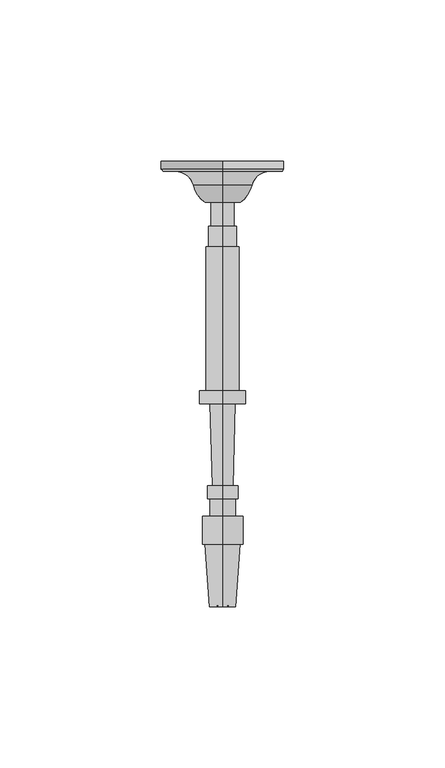
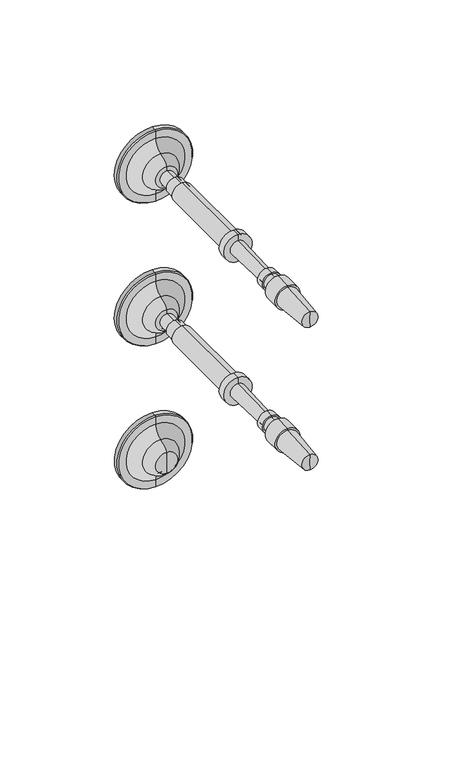
"""IFC4 building model written with IfcOpenShell, lengths in millimetres: railing geometry."""

import ifcopenshell
import ifcopenshell.guid

model = None  # the IFC model being written
_history = None  # IfcOwnerHistory: only IFC2X3 demands one
_inside = {}  # id of a spatial element -> (the spatial element, [elements in it])
_under = {}  # id of a project, library or spatial element -> (it, [spatial elements below it])
_declared = {}  # id of a project -> (the project, [libraries it declares])
_typed = {}  # id of a type object -> (the type object, [elements of that type])
_made_of = {}  # id of a material, layer set ... -> (it, [elements and type objects made of it])


def new_model(schema):
    """Start an empty IFC model of exactly this schema.

    Asked for "IFC4X3", IfcOpenShell would pick the latest addendum, in which some entities
    have other attributes; the version numbers below select the first issue.
    IFC2X3 requires an IfcOwnerHistory on every rooted entity: one is made here for all.
    """
    global model, _history
    if schema == "IFC4X3":
        model = ifcopenshell.file(schema_version=(4, 3, 0, 0))
    else:
        model = ifcopenshell.file(schema=schema)
    _inside.clear()
    _under.clear()
    _declared.clear()
    _typed.clear()
    _made_of.clear()
    _history = None
    if model.schema == "IFC2X3":
        org = make("IfcOrganization", Name="unknown")
        user = make(
            "IfcPersonAndOrganization",
            ThePerson=make("IfcPerson", FamilyName="unknown"),
            TheOrganization=org,
        )
        app = make(
            "IfcApplication",
            ApplicationDeveloper=org,
            Version="unknown",
            ApplicationFullName="unknown",
            ApplicationIdentifier="unknown",
        )
        _history = make(
            "IfcOwnerHistory",
            OwningUser=user,
            OwningApplication=app,
            ChangeAction="ADDED",
            CreationDate=0,
        )
    return model


def make(cls, **values):
    """One entity of the class cls with the attributes given. An attribute that is None is left unset."""
    return model.create_entity(
        cls, **{name: value for name, value in values.items() if value is not None}
    )


def rooted(cls, **values):
    """An entity with a GlobalId (a new one), such as an element, a storey or a relation."""
    return make(cls, GlobalId=ifcopenshell.guid.new(), OwnerHistory=_history, **values)


def si_unit(unit_type, name, prefix=None):
    """IfcSIUnit, for example si_unit("LENGTHUNIT", "METRE", prefix="MILLI")."""
    return make("IfcSIUnit", UnitType=unit_type, Prefix=prefix, Name=name)


def assignment(units):
    """IfcUnitAssignment: the units of a project."""
    return None if units is None else make("IfcUnitAssignment", Units=units)


def point(xyz):
    """IfcCartesianPoint."""
    return None if xyz is None else make("IfcCartesianPoint", Coordinates=xyz)


def direction(xyz):
    """IfcDirection."""
    return None if xyz is None else make("IfcDirection", DirectionRatios=xyz)


def frame(location, z_axis=None, x_axis=None):
    """IfcAxis2Placement3D, a coordinate frame: its origin and axes. An axis left out is left unset."""
    return make(
        "IfcAxis2Placement3D",
        Location=point(location),
        Axis=direction(z_axis),
        RefDirection=direction(x_axis),
    )


def origin():
    """The frame at (0, 0, 0) with its axes left unset."""
    return frame((0.0, 0.0, 0.0))


def place(relative_to, where):
    """IfcLocalPlacement: puts the frame where relative to a parent placement (None: the world)."""
    return make(
        "IfcLocalPlacement", PlacementRelTo=relative_to, RelativePlacement=where
    )


def context(
    kind, dimensions, precision=None, world=None, true_north=None, identifier=None
):
    """IfcGeometricRepresentationContext, for example the 3D "Model" context."""
    return make(
        "IfcGeometricRepresentationContext",
        ContextIdentifier=identifier,
        ContextType=kind,
        CoordinateSpaceDimension=dimensions,
        Precision=precision,
        WorldCoordinateSystem=world,
        TrueNorth=true_north,
    )


def project(units=None, contexts=None):
    """IfcProject with its units and contexts."""
    return rooted(
        "IfcProject",
        Name="project",
        RepresentationContexts=contexts,
        UnitsInContext=assignment(units),
    )


def spatial(cls, under=None, at=None, **own):
    """A site, building, storey or space (cls), placed at a placement, below another one or the project."""
    s = rooted(cls, ObjectPlacement=at, **own)
    if under is not None:
        _under.setdefault(under.id(), (under, []))[1].append(s)
    return s


def polyline(points):
    """IfcPolyline through the points."""
    return make("IfcPolyline", Points=[point(p) for p in points])


def circle_curve(where, radius):
    """IfcCircle in the frame where."""
    return make("IfcCircle", Position=where, Radius=radius)


def ellipse_curve(where, semi_axis1, semi_axis2):
    """IfcEllipse in the frame where."""
    return make(
        "IfcEllipse", Position=where, SemiAxis1=semi_axis1, SemiAxis2=semi_axis2
    )


def trimmed(basis, trim1, trim2, sense, master):
    """IfcTrimmedCurve: the piece of a basis curve between two trims."""
    return make(
        "IfcTrimmedCurve",
        BasisCurve=basis,
        Trim1=trim1,
        Trim2=trim2,
        SenseAgreement=sense,
        MasterRepresentation=master,
    )


def shape(context_of_items, identifier, shape_type, items):
    """IfcShapeRepresentation: the items that make up one representation, for example the "Body"."""
    return make(
        "IfcShapeRepresentation",
        ContextOfItems=context_of_items,
        RepresentationIdentifier=identifier,
        RepresentationType=shape_type,
        Items=items,
    )


def source(mapping_origin, context_of_items, identifier, shape_type, items):
    """IfcRepresentationMap: a shape defined once, which mapped items show again and again."""
    return make(
        "IfcRepresentationMap",
        MappingOrigin=mapping_origin,
        MappedRepresentation=shape(context_of_items, identifier, shape_type, items),
    )


def transform(
    local_origin,
    x_axis=None,
    y_axis=None,
    z_axis=None,
    scale=None,
    scale2=None,
    scale3=None,
    uniform=True,
):
    """IfcCartesianTransformationOperator3D, or its non-uniform kind. x_axis, y_axis, z_axis: its Axis1, 2, 3."""
    if uniform:
        return make(
            "IfcCartesianTransformationOperator3D",
            Axis1=direction(x_axis),
            Axis2=direction(y_axis),
            LocalOrigin=point(local_origin),
            Scale=scale,
            Axis3=direction(z_axis),
        )
    return make(
        "IfcCartesianTransformationOperator3DnonUniform",
        Axis1=direction(x_axis),
        Axis2=direction(y_axis),
        LocalOrigin=point(local_origin),
        Scale=scale,
        Axis3=direction(z_axis),
        Scale2=scale2,
        Scale3=scale3,
    )


def mapped(mapping_source, mapping_target):
    """IfcMappedItem: shows the shape of a source again, moved by a transform."""
    return make(
        "IfcMappedItem", MappingSource=mapping_source, MappingTarget=mapping_target
    )


def made_of(thing, what):
    """Note that an element or type object is made of a material, layer set ...; save() writes the relation."""
    if what is not None:
        _made_of.setdefault(what.id(), (what, []))[1].append(thing)
    return thing


def element(
    cls,
    number,
    at=None,
    inside=None,
    cuts=None,
    type_object=None,
    material=None,
    context=None,
    identifier="Body",
    shape_type=None,
    held_by="IfcProductDefinitionShape",
    body=None,
    shapes=None,
    **own,
):
    """One element of the class cls, such as IfcWall. Its Tag is "e" and its number.

    at: its placement. inside: the storey or other place that contains it. cuts: it is an
    opening in that element (IfcRelVoidsElement). A single representation is given by context,
    identifier, shape_type and body (its items); several are given by shapes. held_by: the class
    of the entity that holds the representations. save() writes the other relations.
    """
    e = rooted(cls, Tag="e%d" % number, ObjectPlacement=at, **own)
    if body is not None:
        shapes = [shape(context, identifier, shape_type, body)]
    if shapes is not None:
        e.Representation = make(held_by, Representations=shapes)
    if inside is not None:
        _inside.setdefault(inside.id(), (inside, []))[1].append(e)
    if cuts is not None:
        rooted(
            "IfcRelVoidsElement", RelatingBuildingElement=cuts, RelatedOpeningElement=e
        )
    if type_object is not None:
        _typed.setdefault(type_object.id(), (type_object, []))[1].append(e)
    return made_of(e, material)


def aggregate(whole, parts):
    """IfcRelAggregates: a whole, such as a stair, and the parts it consists of."""
    return rooted("IfcRelAggregates", RelatingObject=whole, RelatedObjects=parts)


def save(model, path):
    """Write the relations noted so far, then the file.

    IfcRelAggregates (storeys below a building ...), IfcRelContainedInSpatialStructure (elements
    in a storey), IfcRelDefinesByType, IfcRelAssociatesMaterial and IfcRelDeclares: one each for
    every whole, place, type object, material and project.
    """
    for whole, parts in _under.values():
        aggregate(whole, parts)
    for where, things in _inside.values():
        rooted(
            "IfcRelContainedInSpatialStructure",
            RelatedElements=things,
            RelatingStructure=where,
        )
    for kind, things in _typed.values():
        rooted("IfcRelDefinesByType", RelatedObjects=things, RelatingType=kind)
    for what, things in _made_of.values():
        rooted("IfcRelAssociatesMaterial", RelatedObjects=things, RelatingMaterial=what)
    for by, libraries in _declared.values():
        rooted("IfcRelDeclares", RelatingContext=by, RelatedDefinitions=libraries)
    model.write(path)


def plane_surface(at):
    """IfcPlane: the flat surface through the origin of the frame at, square to its z axis."""
    return make("IfcPlane", Position=at)


def cylinder_surface(at, radius):
    """IfcCylindricalSurface: all points at the distance radius from the z axis of the frame at."""
    return make("IfcCylindricalSurface", Position=at, Radius=radius)


def revolved_surface(curve, axis_point, axis_direction):
    """IfcSurfaceOfRevolution: the curve turned about the line through axis_point along axis_direction."""
    return make(
        "IfcSurfaceOfRevolution",
        SweptCurve=make("IfcArbitraryOpenProfileDef", ProfileType="CURVE", Curve=curve),
        AxisPosition=make("IfcAxis1Placement", Location=point(axis_point), Axis=direction(axis_direction)),
    )


def advanced_brep(points, edges, surfaces, faces):
    """IfcAdvancedBrep: a solid bounded by faces that lie on surfaces and meet in shared edges.

    An edge is (start, end): straight between two places in points (the first is 0);
    or (start, end, curve); or (start, end, curve, False) where it runs against its curve.
    A face is (place in surfaces, loops), or (place, loops, False) where it looks against
    its surface's normal. A loop lists edges by number (the first is 1), with a minus sign
    where the edge is run from its end to its start. The first loop is the outer one.
    """
    corners = [point(p) for p in points]
    vertices = [make("IfcVertexPoint", VertexGeometry=c) for c in corners]
    made = []
    for start, end, *more in edges:
        made.append(
            make(
                "IfcEdgeCurve",
                EdgeStart=vertices[start],
                EdgeEnd=vertices[end],
                EdgeGeometry=more[0] if more else make("IfcPolyline", Points=[corners[start], corners[end]]),
                SameSense=more[1] if len(more) > 1 else True,
            )
        )
    hull = []
    for where, loops, *sense in faces:
        bounds = []
        for j, loop in enumerate(loops):
            ring = [make("IfcOrientedEdge", EdgeElement=made[abs(k) - 1], Orientation=k > 0) for k in loop]
            bounds.append(
                make(
                    "IfcFaceOuterBound" if j == 0 else "IfcFaceBound",
                    Bound=make("IfcEdgeLoop", EdgeList=ring),
                    Orientation=True,
                )
            )
        hull.append(make("IfcAdvancedFace", Bounds=bounds, FaceSurface=surfaces[where], SameSense=sense[0] if sense else True))
    return make("IfcAdvancedBrep", Outer=make("IfcClosedShell", CfsFaces=hull))


def railing_e89b9eff(model_context):
    return source(origin(), model_context, "Body", "AdvancedBrep", [
        advanced_brep(
        [(4097.4568095, 20263.8073048, 32915.0001631), (4097.4568095, 20263.8073048, 32895.9501631), (4097.4568095, 20263.8073048, 32934.0501631), (4097.4568095, 20251.1146682, 32909.4769785), (4097.4568095, 20251.1146682, 32915.0001631), (4097.4568095, 20251.1146682, 32920.5233478), (4097.4568095, 20256.3907646, 32905.8720381), (4097.4568095, 20256.3907646, 32924.1282881), (4097.4568095, 20260.7563896, 32900.2458254), (4097.4568095, 20260.7563896, 32929.7545009), (4097.4568095, 20260.7563896, 32896.3762941), (4097.4568095, 20260.7563896, 32933.6240321), (4097.4568095, 20261.4260548, 32895.9501631), (4097.4568095, 20261.4260548, 32934.0501631)],
        [
            (0, 1),
            (1, 2, circle_curve(frame((4097.4568095, 20263.8073048, 32915.0001631), z_axis=(0.0, 1.0, 0.0), x_axis=(0.0, 0.0, 1.0)), 19.05)),
            (2, 0),
            (2, 1, circle_curve(frame((4097.4568095, 20263.8073048, 32915.0001631), z_axis=(0.0, 1.0, 0.0), x_axis=(0.0, 0.0, 1.0)), 19.05)),
            (3, 4),
            (4, 5),
            (5, 3, circle_curve(frame((4097.4568095, 20251.1146682, 32915.0001631), z_axis=(0.0, -1.0, 0.0), x_axis=(0.0, 0.0, 1.0)), 5.5231846)),
            (3, 5, circle_curve(frame((4097.4568095, 20251.1146682, 32915.0001631), z_axis=(0.0, -1.0, 0.0), x_axis=(0.0, 0.0, 1.0)), 5.5231846)),
            (6, 3, circle_curve(frame((4097.4568095, 20258.7151733, 32914.9374304), z_axis=(-1.0, 0.0, 0.0), x_axis=(0.0, -1.0, 0.0)), 9.3586438)),
            (5, 7, circle_curve(frame((4097.4568095, 20258.7151733, 32915.0628958), z_axis=(-1.0, 0.0, 0.0), x_axis=(0.0, -1.0, 0.0)), 9.3586438)),
            (7, 6, circle_curve(frame((4097.4568095, 20256.3907646, 32915.0001631), z_axis=(0.0, -1.0, 0.0), x_axis=(0.0, 0.0, 1.0)), 9.128125)),
            (6, 7, circle_curve(frame((4097.4568095, 20256.3907646, 32915.0001631), z_axis=(0.0, -1.0, 0.0), x_axis=(0.0, 0.0, 1.0)), 9.128125)),
            (8, 6, circle_curve(frame((4097.4568095, 20254.9481776, 32900.2458254), z_axis=(1.0, 0.0, 0.0), x_axis=(0.0, -1.0, 0.0)), 5.8082121)),
            (7, 9, circle_curve(frame((4097.4568095, 20254.9481776, 32929.7545009), z_axis=(1.0, 0.0, 0.0), x_axis=(0.0, -1.0, 0.0)), 5.8082121)),
            (9, 8, circle_curve(frame((4097.4568095, 20260.7563896, 32915.0001631), z_axis=(0.0, -1.0, 0.0), x_axis=(0.0, 0.0, 1.0)), 14.7543378)),
            (8, 9, circle_curve(frame((4097.4568095, 20260.7563896, 32915.0001631), z_axis=(0.0, -1.0, 0.0), x_axis=(0.0, 0.0, 1.0)), 14.7543378)),
            (10, 8),
            (9, 11),
            (11, 10, circle_curve(frame((4097.4568095, 20260.7563896, 32915.0001631), z_axis=(0.0, -1.0, 0.0), x_axis=(0.0, 0.0, 1.0)), 18.623869)),
            (10, 11, circle_curve(frame((4097.4568095, 20260.7563896, 32915.0001631), z_axis=(0.0, -1.0, 0.0), x_axis=(0.0, 0.0, 1.0)), 18.623869)),
            (12, 10),
            (11, 13),
            (13, 12, circle_curve(frame((4097.4568095, 20261.4260548, 32915.0001631), z_axis=(0.0, -1.0, 0.0), x_axis=(0.0, 0.0, 1.0)), 19.05)),
            (12, 13, circle_curve(frame((4097.4568095, 20261.4260548, 32915.0001631), z_axis=(0.0, -1.0, 0.0), x_axis=(0.0, 0.0, 1.0)), 19.05)),
            (1, 12),
            (13, 2),
        ],
        [
            plane_surface(frame((4097.4568095, 20263.8073048, 32915.0001631), z_axis=(0.0, 1.0, 0.0), x_axis=(0.0, 0.0, 1.0))),
            plane_surface(frame((4097.4568095, 20251.1146682, 32915.0001631), z_axis=(0.0, -1.0, 0.0), x_axis=(0.0, 0.0, 1.0))),
            revolved_surface(trimmed(ellipse_curve(frame((4097.4568095, 20258.7151733, 32915.0628958), z_axis=(-1.0, 0.0, 0.0), x_axis=(0.0, -1.0, 0.0)), 9.3586438, 9.3586438), [point((4097.4568095, 20251.1146682, 32920.5233478))], [point((4097.4568095, 20256.3907646, 32924.1282881))], True, "CARTESIAN"), (4097.4568095, 20263.8073048, 32915.0001631), (0.0, 1.0, 0.0)),
            revolved_surface(trimmed(ellipse_curve(frame((4097.4568095, 20254.9481776, 32929.7545009), z_axis=(1.0, 0.0, 0.0), x_axis=(0.0, -1.0, 0.0)), 5.8082121, 5.8082121), [point((4097.4568095, 20256.3907646, 32924.1282881))], [point((4097.4568095, 20260.7563896, 32929.7545009))], True, "CARTESIAN"), (4097.4568095, 20263.8073048, 32915.0001631), (0.0, 1.0, 0.0)),
            plane_surface(frame((4097.4568095, 20260.7563896, 32915.0001631), z_axis=(0.0, -1.0, 0.0), x_axis=(0.0, 0.0, 1.0))),
            revolved_surface(polyline([(4097.4568095, 20260.7563896, 32933.6240321), (4097.4568095, 20261.4260548, 32934.0501631)]), (4097.4568095, 20263.8073048, 32915.0001631), (0.0, 1.0, 0.0)),
            cylinder_surface(frame((4097.4568095, 20263.8073048, 32915.0001631), z_axis=(0.0, 1.0, 0.0), x_axis=(0.0, 0.0, 1.0)), 19.05),
        ],
        [
            (0, [[1, 2, 3]]),
            (0, [[-3, 4, -1]]),
            (1, [[5, 6, 7]]),
            (1, [[-6, -5, 8]]),
            (2, [[9, -7, 10, 11]]),
            (2, [[-10, -8, -9, 12]]),
            (3, [[13, -11, 14, 15]]),
            (3, [[-14, -12, -13, 16]]),
            (4, [[17, -15, 18, 19]]),
            (4, [[-18, -16, -17, 20]]),
            (5, [[21, -19, 22, 23]]),
            (5, [[-22, -20, -21, 24]]),
            (6, [[25, -23, 26, -2]]),
            (6, [[-26, -24, -25, -4]]),
        ],
    ),
        advanced_brep(
        [(4097.4568095, 20251.1146682, 32911.4282881), (4097.4568095, 20251.1146682, 32918.5720381), (4097.4568095, 20251.1146682, 32915.0001631), (4097.4568095, 20126.170779, 32915.0001631), (4097.4568095, 20125.8751146, 32919.0246235), (4097.4568095, 20125.8751146, 32910.9757028), (4097.4568095, 20145.2184786, 32920.445719), (4097.4568095, 20145.2184786, 32909.5546072), (4097.4568095, 20145.2184786, 32921.3386877), (4097.4568095, 20145.2184786, 32908.6616385), (4097.4568095, 20153.8505098, 32921.3386877), (4097.4568095, 20153.8505098, 32908.6616385), (4097.4568095, 20153.8505098, 32918.9574377), (4097.4568095, 20153.8505098, 32911.0428885), (4097.4568095, 20159.2083223, 32918.9574377), (4097.4568095, 20159.2083223, 32911.0428885), (4097.4568095, 20159.2083223, 32919.7511877), (4097.4568095, 20159.2083223, 32910.2491385), (4097.4568095, 20163.2762911, 32919.7511877), (4097.4568095, 20163.2762911, 32910.2491385), (4097.4568095, 20163.3203782, 32918.1643), (4097.4568095, 20163.3203782, 32911.8360262), (4097.4568095, 20188.7105814, 32918.8696944), (4097.4568095, 20188.7105814, 32911.1306319), (4097.4568095, 20188.7105814, 32922.1439131), (4097.4568095, 20188.7105814, 32907.8564131), (4097.4568095, 20192.6793314, 32922.1439131), (4097.4568095, 20192.6793314, 32907.8564131), (4097.4568095, 20192.6793314, 32920.1595381), (4097.4568095, 20192.6793314, 32909.8407881), (4097.4568095, 20237.4269877, 32920.1595381), (4097.4568095, 20237.4269877, 32909.8407881), (4097.4568095, 20237.4269877, 32919.3657881), (4097.4568095, 20237.4269877, 32910.6345381), (4097.4568095, 20243.7769877, 32919.3657881), (4097.4568095, 20243.7769877, 32910.6345381), (4097.4568095, 20243.7769877, 32918.5720381), (4097.4568095, 20243.7769877, 32911.4282881)],
        [
            (0, 1, circle_curve(frame((4097.4568095, 20251.1146682, 32915.0001631), z_axis=(0.0, 1.0, 0.0), x_axis=(0.0, 0.0, 1.0000000000000002)), 3.571875)),
            (1, 2),
            (2, 0),
            (1, 0, circle_curve(frame((4097.4568095, 20251.1146682, 32915.0001631), z_axis=(0.0, 1.0, 0.0), x_axis=(0.0, 0.0, 1.0000000000000002)), 3.571875)),
            (3, 4),
            (4, 5, circle_curve(frame((4097.4568095, 20125.8751146, 32915.0001631), z_axis=(0.0, -1.0, 0.0), x_axis=(0.0, 0.0, 1.0000000000000002)), 4.0244604)),
            (5, 3),
            (5, 4, circle_curve(frame((4097.4568095, 20125.8751146, 32915.0001631), z_axis=(0.0, -1.0, 0.0), x_axis=(0.0, 0.0, 1.0000000000000002)), 4.0244604)),
            (4, 6),
            (6, 7, circle_curve(frame((4097.4568095, 20145.2184786, 32915.0001631), z_axis=(0.0, -1.0, 0.0), x_axis=(0.0, 0.0, 1.0000000000000002)), 5.4455559)),
            (7, 5),
            (7, 6, circle_curve(frame((4097.4568095, 20145.2184786, 32915.0001631), z_axis=(0.0, -1.0, 0.0), x_axis=(0.0, 0.0, 1.0000000000000002)), 5.4455559)),
            (6, 8),
            (8, 9, circle_curve(frame((4097.4568095, 20145.2184786, 32915.0001631), z_axis=(0.0, -1.0, 0.0), x_axis=(0.0, 0.0, 1.0000000000000002)), 6.3385246)),
            (9, 7),
            (9, 8, circle_curve(frame((4097.4568095, 20145.2184786, 32915.0001631), z_axis=(0.0, -1.0, 0.0), x_axis=(0.0, 0.0, 1.0000000000000002)), 6.3385246)),
            (8, 10),
            (10, 11, circle_curve(frame((4097.4568095, 20153.8505098, 32915.0001631), z_axis=(0.0, -1.0, 0.0), x_axis=(0.0, 0.0, 1.0000000000000002)), 6.3385246)),
            (11, 9),
            (11, 10, circle_curve(frame((4097.4568095, 20153.8505098, 32915.0001631), z_axis=(0.0, -1.0, 0.0), x_axis=(0.0, 0.0, 1.0000000000000002)), 6.3385246)),
            (10, 12),
            (12, 13, circle_curve(frame((4097.4568095, 20153.8505098, 32915.0001631), z_axis=(0.0, -1.0, 0.0), x_axis=(0.0, 0.0, 1.0000000000000002)), 3.9572746)),
            (13, 11),
            (13, 12, circle_curve(frame((4097.4568095, 20153.8505098, 32915.0001631), z_axis=(0.0, -1.0, 0.0), x_axis=(0.0, 0.0, 1.0000000000000002)), 3.9572746)),
            (12, 14),
            (14, 15, circle_curve(frame((4097.4568095, 20159.2083223, 32915.0001631), z_axis=(0.0, -1.0, 0.0), x_axis=(0.0, 0.0, 1.0000000000000002)), 3.9572746)),
            (15, 13),
            (15, 14, circle_curve(frame((4097.4568095, 20159.2083223, 32915.0001631), z_axis=(0.0, -1.0, 0.0), x_axis=(0.0, 0.0, 1.0000000000000002)), 3.9572746)),
            (14, 16),
            (16, 17, circle_curve(frame((4097.4568095, 20159.2083223, 32915.0001631), z_axis=(0.0, -1.0, 0.0), x_axis=(0.0, 0.0, 1.0000000000000002)), 4.7510246)),
            (17, 15),
            (17, 16, circle_curve(frame((4097.4568095, 20159.2083223, 32915.0001631), z_axis=(0.0, -1.0, 0.0), x_axis=(0.0, 0.0, 1.0000000000000002)), 4.7510246)),
            (16, 18),
            (18, 19, circle_curve(frame((4097.4568095, 20163.2762911, 32915.0001631), z_axis=(0.0, -1.0, 0.0), x_axis=(0.0, 0.0, 1.0000000000000002)), 4.7510246)),
            (19, 17),
            (19, 18, circle_curve(frame((4097.4568095, 20163.2762911, 32915.0001631), z_axis=(0.0, -1.0, 0.0), x_axis=(0.0, 0.0, 1.0000000000000002)), 4.7510246)),
            (18, 20),
            (20, 21, circle_curve(frame((4097.4568095, 20163.3203782, 32915.0001631), z_axis=(0.0, -1.0, 0.0), x_axis=(0.0, 0.0, 1.0000000000000002)), 3.1641369)),
            (21, 19),
            (21, 20, circle_curve(frame((4097.4568095, 20163.3203782, 32915.0001631), z_axis=(0.0, -1.0, 0.0), x_axis=(0.0, 0.0, 1.0000000000000002)), 3.1641369)),
            (20, 22),
            (22, 23, circle_curve(frame((4097.4568095, 20188.7105814, 32915.0001631), z_axis=(0.0, -1.0, 0.0), x_axis=(0.0, 0.0, 1.0000000000000002)), 3.8695313)),
            (23, 21),
            (23, 22, circle_curve(frame((4097.4568095, 20188.7105814, 32915.0001631), z_axis=(0.0, -1.0, 0.0), x_axis=(0.0, 0.0, 1.0000000000000002)), 3.8695313)),
            (22, 24),
            (24, 25, circle_curve(frame((4097.4568095, 20188.7105814, 32915.0001631), z_axis=(0.0, -1.0, 0.0), x_axis=(0.0, 0.0, 1.0000000000000002)), 7.14375)),
            (25, 23),
            (25, 24, circle_curve(frame((4097.4568095, 20188.7105814, 32915.0001631), z_axis=(0.0, -1.0, 0.0), x_axis=(0.0, 0.0, 1.0000000000000002)), 7.14375)),
            (24, 26),
            (26, 27, circle_curve(frame((4097.4568095, 20192.6793314, 32915.0001631), z_axis=(0.0, -1.0, 0.0), x_axis=(0.0, 0.0, 1.0000000000000002)), 7.14375)),
            (27, 25),
            (27, 26, circle_curve(frame((4097.4568095, 20192.6793314, 32915.0001631), z_axis=(0.0, -1.0, 0.0), x_axis=(0.0, 0.0, 1.0000000000000002)), 7.14375)),
            (26, 28),
            (28, 29, circle_curve(frame((4097.4568095, 20192.6793314, 32915.0001631), z_axis=(0.0, -1.0, 0.0), x_axis=(0.0, 0.0, 1.0000000000000002)), 5.159375)),
            (29, 27),
            (29, 28, circle_curve(frame((4097.4568095, 20192.6793314, 32915.0001631), z_axis=(0.0, -1.0, 0.0), x_axis=(0.0, 0.0, 1.0000000000000002)), 5.159375)),
            (28, 30),
            (30, 31, circle_curve(frame((4097.4568095, 20237.4269877, 32915.0001631), z_axis=(0.0, -1.0, 0.0), x_axis=(0.0, 0.0, 1.0000000000000002)), 5.159375)),
            (31, 29),
            (31, 30, circle_curve(frame((4097.4568095, 20237.4269877, 32915.0001631), z_axis=(0.0, -1.0, 0.0), x_axis=(0.0, 0.0, 1.0000000000000002)), 5.159375)),
            (30, 32),
            (32, 33, circle_curve(frame((4097.4568095, 20237.4269877, 32915.0001631), z_axis=(0.0, -1.0, 0.0), x_axis=(0.0, 0.0, 1.0000000000000002)), 4.365625)),
            (33, 31),
            (33, 32, circle_curve(frame((4097.4568095, 20237.4269877, 32915.0001631), z_axis=(0.0, -1.0, 0.0), x_axis=(0.0, 0.0, 1.0000000000000002)), 4.365625)),
            (32, 34),
            (34, 35, circle_curve(frame((4097.4568095, 20243.7769877, 32915.0001631), z_axis=(0.0, -1.0, 0.0), x_axis=(0.0, 0.0, 1.0000000000000002)), 4.365625)),
            (35, 33),
            (35, 34, circle_curve(frame((4097.4568095, 20243.7769877, 32915.0001631), z_axis=(0.0, -1.0, 0.0), x_axis=(0.0, 0.0, 1.0000000000000002)), 4.365625)),
            (34, 36),
            (36, 37, circle_curve(frame((4097.4568095, 20243.7769877, 32915.0001631), z_axis=(0.0, -1.0, 0.0), x_axis=(0.0, 0.0, 1.0000000000000002)), 3.571875)),
            (37, 35),
            (37, 36, circle_curve(frame((4097.4568095, 20243.7769877, 32915.0001631), z_axis=(0.0, -1.0, 0.0), x_axis=(0.0, 0.0, 1.0000000000000002)), 3.571875)),
            (36, 1),
            (0, 37),
        ],
        [
            plane_surface(frame((4097.4568095, 20251.1146682, 32915.0001631), z_axis=(0.0, 1.0, 0.0), x_axis=(0.0, 0.0, 1.0))),
            revolved_surface(polyline([(4097.4568095, 20125.8751146, 32919.0246235), (4097.4568095, 20126.170779, 32915.0001631)]), (4097.4568095, 20126.170779, 32915.0001631), (0.0, -1.0, 0.0)),
            revolved_surface(polyline([(4097.4568095, 20145.2184786, 32920.445719), (4097.4568095, 20125.8751146, 32919.0246235)]), (4097.4568095, 20126.170779, 32915.0001631), (0.0, -1.0, 0.0)),
            plane_surface(frame((4097.4568095, 20145.2184786, 32915.0001631), z_axis=(0.0, -1.0, 0.0), x_axis=(0.0, 0.0, 1.0))),
            cylinder_surface(frame((4097.4568095, 20126.170779, 32915.0001631), z_axis=(0.0, -1.0, 0.0), x_axis=(0.0, 0.0, 1.0000000000000002)), 6.3385246),
            plane_surface(frame((4097.4568095, 20153.8505098, 32915.0001631), z_axis=(0.0, 1.0, 0.0), x_axis=(0.0, 0.0, 1.0))),
            cylinder_surface(frame((4097.4568095, 20126.170779, 32915.0001631), z_axis=(0.0, -1.0, 0.0), x_axis=(0.0, 0.0, 1.0000000000000002)), 3.9572746),
            plane_surface(frame((4097.4568095, 20159.2083223, 32915.0001631), z_axis=(0.0, -1.0, 0.0), x_axis=(0.0, 0.0, 1.0))),
            cylinder_surface(frame((4097.4568095, 20126.170779, 32915.0001631), z_axis=(0.0, -1.0, 0.0), x_axis=(0.0, 0.0, 1.0000000000000002)), 4.7510246),
            plane_surface(frame((4097.4568095, 20163.3203782, 32915.0001631), z_axis=(0.0, 1.0, 0.0), x_axis=(0.0, 0.0, 1.0))),
            revolved_surface(polyline([(4097.4568095, 20188.7105814, 32918.8696944), (4097.4568095, 20163.3203782, 32918.1643)]), (4097.4568095, 20126.170779, 32915.0001631), (0.0, -1.0, 0.0)),
            plane_surface(frame((4097.4568095, 20188.7105814, 32915.0001631), z_axis=(0.0, -1.0, 0.0), x_axis=(0.0, 0.0, 1.0))),
            cylinder_surface(frame((4097.4568095, 20126.170779, 32915.0001631), z_axis=(0.0, -1.0, 0.0), x_axis=(0.0, 0.0, 1.0000000000000002)), 7.14375),
            plane_surface(frame((4097.4568095, 20192.6793314, 32915.0001631), z_axis=(0.0, 1.0, 0.0), x_axis=(0.0, 0.0, 1.0))),
            cylinder_surface(frame((4097.4568095, 20126.170779, 32915.0001631), z_axis=(0.0, -1.0, 0.0), x_axis=(0.0, 0.0, 1.0000000000000002)), 5.159375),
            plane_surface(frame((4097.4568095, 20237.4269877, 32915.0001631), z_axis=(0.0, 1.0, 0.0), x_axis=(0.0, 0.0, 1.0))),
            cylinder_surface(frame((4097.4568095, 20126.170779, 32915.0001631), z_axis=(0.0, -1.0, 0.0), x_axis=(0.0, 0.0, 1.0000000000000002)), 4.365625),
            plane_surface(frame((4097.4568095, 20243.7769877, 32915.0001631), z_axis=(0.0, 1.0, 0.0), x_axis=(0.0, 0.0, 1.0))),
            cylinder_surface(frame((4097.4568095, 20126.170779, 32915.0001631), z_axis=(0.0, -1.0, 0.0), x_axis=(0.0, 0.0, 1.0000000000000002)), 3.571875),
        ],
        [
            (0, [[1, 2, 3]]),
            (0, [[4, -3, -2]]),
            (1, [[5, 6, 7]]),
            (1, [[-7, 8, -5]]),
            (2, [[-6, 9, 10, 11]]),
            (2, [[-8, -11, 12, -9]]),
            (3, [[-10, 13, 14, 15]]),
            (3, [[-12, -15, 16, -13]]),
            (4, [[-14, 17, 18, 19]]),
            (4, [[-16, -19, 20, -17]]),
            (5, [[-18, 21, 22, 23]]),
            (5, [[-20, -23, 24, -21]]),
            (6, [[-22, 25, 26, 27]]),
            (6, [[-24, -27, 28, -25]]),
            (7, [[-26, 29, 30, 31]]),
            (7, [[-28, -31, 32, -29]]),
            (8, [[-30, 33, 34, 35]]),
            (8, [[-32, -35, 36, -33]]),
            (9, [[-34, 37, 38, 39]]),
            (9, [[-36, -39, 40, -37]]),
            (10, [[-38, 41, 42, 43]]),
            (10, [[-40, -43, 44, -41]]),
            (11, [[-42, 45, 46, 47]]),
            (11, [[-44, -47, 48, -45]]),
            (12, [[-46, 49, 50, 51]]),
            (12, [[-48, -51, 52, -49]]),
            (13, [[-50, 53, 54, 55]]),
            (13, [[-52, -55, 56, -53]]),
            (14, [[-54, 57, 58, 59]]),
            (14, [[-56, -59, 60, -57]]),
            (15, [[-58, 61, 62, 63]]),
            (15, [[-60, -63, 64, -61]]),
            (16, [[-62, 65, 66, 67]]),
            (16, [[-64, -67, 68, -65]]),
            (17, [[-66, 69, 70, 71]]),
            (17, [[-68, -71, 72, -69]]),
            (18, [[-70, 73, -1, 74]]),
            (18, [[-72, -74, -4, -73]]),
        ],
    ),
        advanced_brep(
        [(4097.4568095, 20263.8073048, 32838.8001631), (4097.4568095, 20263.8073048, 32819.7501631), (4097.4568095, 20263.8073048, 32857.8501631), (4097.4568095, 20251.1146682, 32833.2769785), (4097.4568095, 20251.1146682, 32838.8001631), (4097.4568095, 20251.1146682, 32844.3233478), (4097.4568095, 20256.3907646, 32829.6720381), (4097.4568095, 20256.3907646, 32847.9282881), (4097.4568095, 20260.7563896, 32824.0458254), (4097.4568095, 20260.7563896, 32853.5545009), (4097.4568095, 20260.7563896, 32820.1762941), (4097.4568095, 20260.7563896, 32857.4240321), (4097.4568095, 20261.4260548, 32819.7501631), (4097.4568095, 20261.4260548, 32857.8501631)],
        [
            (0, 1),
            (1, 2, circle_curve(frame((4097.4568095, 20263.8073048, 32838.8001631), z_axis=(0.0, 1.0, 0.0), x_axis=(0.0, 0.0, 1.0)), 19.05)),
            (2, 0),
            (2, 1, circle_curve(frame((4097.4568095, 20263.8073048, 32838.8001631), z_axis=(0.0, 1.0, 0.0), x_axis=(0.0, 0.0, 1.0)), 19.05)),
            (3, 4),
            (4, 5),
            (5, 3, circle_curve(frame((4097.4568095, 20251.1146682, 32838.8001631), z_axis=(0.0, -1.0, 0.0), x_axis=(0.0, 0.0, 1.0)), 5.5231846)),
            (3, 5, circle_curve(frame((4097.4568095, 20251.1146682, 32838.8001631), z_axis=(0.0, -1.0, 0.0), x_axis=(0.0, 0.0, 1.0)), 5.5231846)),
            (6, 3, circle_curve(frame((4097.4568095, 20258.7151733, 32838.7374304), z_axis=(-1.0, 0.0, 0.0), x_axis=(0.0, -1.0, 0.0)), 9.3586438)),
            (5, 7, circle_curve(frame((4097.4568095, 20258.7151733, 32838.8628958), z_axis=(-1.0, 0.0, 0.0), x_axis=(0.0, -1.0, 0.0)), 9.3586438)),
            (7, 6, circle_curve(frame((4097.4568095, 20256.3907646, 32838.8001631), z_axis=(0.0, -1.0, 0.0), x_axis=(0.0, 0.0, 1.0)), 9.128125)),
            (6, 7, circle_curve(frame((4097.4568095, 20256.3907646, 32838.8001631), z_axis=(0.0, -1.0, 0.0), x_axis=(0.0, 0.0, 1.0)), 9.128125)),
            (8, 6, circle_curve(frame((4097.4568095, 20254.9481776, 32824.0458254), z_axis=(1.0, 0.0, 0.0), x_axis=(0.0, -1.0, 0.0)), 5.8082121)),
            (7, 9, circle_curve(frame((4097.4568095, 20254.9481776, 32853.5545009), z_axis=(1.0, 0.0, 0.0), x_axis=(0.0, -1.0, 0.0)), 5.8082121)),
            (9, 8, circle_curve(frame((4097.4568095, 20260.7563896, 32838.8001631), z_axis=(0.0, -1.0, 0.0), x_axis=(0.0, 0.0, 1.0)), 14.7543378)),
            (8, 9, circle_curve(frame((4097.4568095, 20260.7563896, 32838.8001631), z_axis=(0.0, -1.0, 0.0), x_axis=(0.0, 0.0, 1.0)), 14.7543378)),
            (10, 8),
            (9, 11),
            (11, 10, circle_curve(frame((4097.4568095, 20260.7563896, 32838.8001631), z_axis=(0.0, -1.0, 0.0), x_axis=(0.0, 0.0, 1.0)), 18.623869)),
            (10, 11, circle_curve(frame((4097.4568095, 20260.7563896, 32838.8001631), z_axis=(0.0, -1.0, 0.0), x_axis=(0.0, 0.0, 1.0)), 18.623869)),
            (12, 10),
            (11, 13),
            (13, 12, circle_curve(frame((4097.4568095, 20261.4260548, 32838.8001631), z_axis=(0.0, -1.0, 0.0), x_axis=(0.0, 0.0, 1.0)), 19.05)),
            (12, 13, circle_curve(frame((4097.4568095, 20261.4260548, 32838.8001631), z_axis=(0.0, -1.0, 0.0), x_axis=(0.0, 0.0, 1.0)), 19.05)),
            (1, 12),
            (13, 2),
        ],
        [
            plane_surface(frame((4097.4568095, 20263.8073048, 32838.8001631), z_axis=(0.0, 1.0, 0.0), x_axis=(0.0, 0.0, 1.0))),
            plane_surface(frame((4097.4568095, 20251.1146682, 32838.8001631), z_axis=(0.0, -1.0, 0.0), x_axis=(0.0, 0.0, 1.0))),
            revolved_surface(trimmed(ellipse_curve(frame((4097.4568095, 20258.7151733, 32838.8628958), z_axis=(-1.0, 0.0, 0.0), x_axis=(0.0, -1.0, 0.0)), 9.3586438, 9.3586438), [point((4097.4568095, 20251.1146682, 32844.3233478))], [point((4097.4568095, 20256.3907646, 32847.9282881))], True, "CARTESIAN"), (4097.4568095, 20263.8073048, 32838.8001631), (0.0, 1.0, 0.0)),
            revolved_surface(trimmed(ellipse_curve(frame((4097.4568095, 20254.9481776, 32853.5545009), z_axis=(1.0, 0.0, 0.0), x_axis=(0.0, -1.0, 0.0)), 5.8082121, 5.8082121), [point((4097.4568095, 20256.3907646, 32847.9282881))], [point((4097.4568095, 20260.7563896, 32853.5545009))], True, "CARTESIAN"), (4097.4568095, 20263.8073048, 32838.8001631), (0.0, 1.0, 0.0)),
            plane_surface(frame((4097.4568095, 20260.7563896, 32838.8001631), z_axis=(0.0, -1.0, 0.0), x_axis=(0.0, 0.0, 1.0))),
            revolved_surface(polyline([(4097.4568095, 20260.7563896, 32857.4240321), (4097.4568095, 20261.4260548, 32857.8501631)]), (4097.4568095, 20263.8073048, 32838.8001631), (0.0, 1.0, 0.0)),
            cylinder_surface(frame((4097.4568095, 20263.8073048, 32838.8001631), z_axis=(0.0, 1.0, 0.0), x_axis=(0.0, 0.0, 1.0)), 19.05),
        ],
        [
            (0, [[1, 2, 3]]),
            (0, [[-3, 4, -1]]),
            (1, [[5, 6, 7]]),
            (1, [[-6, -5, 8]]),
            (2, [[9, -7, 10, 11]]),
            (2, [[-10, -8, -9, 12]]),
            (3, [[13, -11, 14, 15]]),
            (3, [[-14, -12, -13, 16]]),
            (4, [[17, -15, 18, 19]]),
            (4, [[-18, -16, -17, 20]]),
            (5, [[21, -19, 22, 23]]),
            (5, [[-22, -20, -21, 24]]),
            (6, [[25, -23, 26, -2]]),
            (6, [[-26, -24, -25, -4]]),
        ],
    ),
        advanced_brep(
        [(4097.4568095, 20251.1146682, 32835.2282881), (4097.4568095, 20251.1146682, 32842.3720381), (4097.4568095, 20251.1146682, 32838.8001631), (4097.4568095, 20126.170779, 32838.8001631), (4097.4568095, 20125.8751146, 32842.8246235), (4097.4568095, 20125.8751146, 32834.7757028), (4097.4568095, 20145.2184786, 32844.245719), (4097.4568095, 20145.2184786, 32833.3546072), (4097.4568095, 20145.2184786, 32845.1386877), (4097.4568095, 20145.2184786, 32832.4616385), (4097.4568095, 20153.8505098, 32845.1386877), (4097.4568095, 20153.8505098, 32832.4616385), (4097.4568095, 20153.8505098, 32842.7574377), (4097.4568095, 20153.8505098, 32834.8428885), (4097.4568095, 20159.2083223, 32842.7574377), (4097.4568095, 20159.2083223, 32834.8428885), (4097.4568095, 20159.2083223, 32843.5511877), (4097.4568095, 20159.2083223, 32834.0491385), (4097.4568095, 20163.2762911, 32843.5511877), (4097.4568095, 20163.2762911, 32834.0491385), (4097.4568095, 20163.3203782, 32841.9643), (4097.4568095, 20163.3203782, 32835.6360262), (4097.4568095, 20188.7105814, 32842.6696944), (4097.4568095, 20188.7105814, 32834.9306319), (4097.4568095, 20188.7105814, 32845.9439131), (4097.4568095, 20188.7105814, 32831.6564131), (4097.4568095, 20192.6793314, 32845.9439131), (4097.4568095, 20192.6793314, 32831.6564131), (4097.4568095, 20192.6793314, 32843.9595381), (4097.4568095, 20192.6793314, 32833.6407881), (4097.4568095, 20237.4269877, 32843.9595381), (4097.4568095, 20237.4269877, 32833.6407881), (4097.4568095, 20237.4269877, 32843.1657881), (4097.4568095, 20237.4269877, 32834.4345381), (4097.4568095, 20243.7769877, 32843.1657881), (4097.4568095, 20243.7769877, 32834.4345381), (4097.4568095, 20243.7769877, 32842.3720381), (4097.4568095, 20243.7769877, 32835.2282881)],
        [
            (0, 1, circle_curve(frame((4097.4568095, 20251.1146682, 32838.8001631), z_axis=(0.0, 1.0, 0.0), x_axis=(0.0, 0.0, 1.0000000000000002)), 3.571875)),
            (1, 2),
            (2, 0),
            (1, 0, circle_curve(frame((4097.4568095, 20251.1146682, 32838.8001631), z_axis=(0.0, 1.0, 0.0), x_axis=(0.0, 0.0, 1.0000000000000002)), 3.571875)),
            (3, 4),
            (4, 5, circle_curve(frame((4097.4568095, 20125.8751146, 32838.8001631), z_axis=(0.0, -1.0, 0.0), x_axis=(0.0, 0.0, 1.0000000000000002)), 4.0244604)),
            (5, 3),
            (5, 4, circle_curve(frame((4097.4568095, 20125.8751146, 32838.8001631), z_axis=(0.0, -1.0, 0.0), x_axis=(0.0, 0.0, 1.0000000000000002)), 4.0244604)),
            (4, 6),
            (6, 7, circle_curve(frame((4097.4568095, 20145.2184786, 32838.8001631), z_axis=(0.0, -1.0, 0.0), x_axis=(0.0, 0.0, 1.0000000000000002)), 5.4455559)),
            (7, 5),
            (7, 6, circle_curve(frame((4097.4568095, 20145.2184786, 32838.8001631), z_axis=(0.0, -1.0, 0.0), x_axis=(0.0, 0.0, 1.0000000000000002)), 5.4455559)),
            (6, 8),
            (8, 9, circle_curve(frame((4097.4568095, 20145.2184786, 32838.8001631), z_axis=(0.0, -1.0, 0.0), x_axis=(0.0, 0.0, 1.0000000000000002)), 6.3385246)),
            (9, 7),
            (9, 8, circle_curve(frame((4097.4568095, 20145.2184786, 32838.8001631), z_axis=(0.0, -1.0, 0.0), x_axis=(0.0, 0.0, 1.0000000000000002)), 6.3385246)),
            (8, 10),
            (10, 11, circle_curve(frame((4097.4568095, 20153.8505098, 32838.8001631), z_axis=(0.0, -1.0, 0.0), x_axis=(0.0, 0.0, 1.0000000000000002)), 6.3385246)),
            (11, 9),
            (11, 10, circle_curve(frame((4097.4568095, 20153.8505098, 32838.8001631), z_axis=(0.0, -1.0, 0.0), x_axis=(0.0, 0.0, 1.0000000000000002)), 6.3385246)),
            (10, 12),
            (12, 13, circle_curve(frame((4097.4568095, 20153.8505098, 32838.8001631), z_axis=(0.0, -1.0, 0.0), x_axis=(0.0, 0.0, 1.0000000000000002)), 3.9572746)),
            (13, 11),
            (13, 12, circle_curve(frame((4097.4568095, 20153.8505098, 32838.8001631), z_axis=(0.0, -1.0, 0.0), x_axis=(0.0, 0.0, 1.0000000000000002)), 3.9572746)),
            (12, 14),
            (14, 15, circle_curve(frame((4097.4568095, 20159.2083223, 32838.8001631), z_axis=(0.0, -1.0, 0.0), x_axis=(0.0, 0.0, 1.0000000000000002)), 3.9572746)),
            (15, 13),
            (15, 14, circle_curve(frame((4097.4568095, 20159.2083223, 32838.8001631), z_axis=(0.0, -1.0, 0.0), x_axis=(0.0, 0.0, 1.0000000000000002)), 3.9572746)),
            (14, 16),
            (16, 17, circle_curve(frame((4097.4568095, 20159.2083223, 32838.8001631), z_axis=(0.0, -1.0, 0.0), x_axis=(0.0, 0.0, 1.0000000000000002)), 4.7510246)),
            (17, 15),
            (17, 16, circle_curve(frame((4097.4568095, 20159.2083223, 32838.8001631), z_axis=(0.0, -1.0, 0.0), x_axis=(0.0, 0.0, 1.0000000000000002)), 4.7510246)),
            (16, 18),
            (18, 19, circle_curve(frame((4097.4568095, 20163.2762911, 32838.8001631), z_axis=(0.0, -1.0, 0.0), x_axis=(0.0, 0.0, 1.0000000000000002)), 4.7510246)),
            (19, 17),
            (19, 18, circle_curve(frame((4097.4568095, 20163.2762911, 32838.8001631), z_axis=(0.0, -1.0, 0.0), x_axis=(0.0, 0.0, 1.0000000000000002)), 4.7510246)),
            (18, 20),
            (20, 21, circle_curve(frame((4097.4568095, 20163.3203782, 32838.8001631), z_axis=(0.0, -1.0, 0.0), x_axis=(0.0, 0.0, 1.0000000000000002)), 3.1641369)),
            (21, 19),
            (21, 20, circle_curve(frame((4097.4568095, 20163.3203782, 32838.8001631), z_axis=(0.0, -1.0, 0.0), x_axis=(0.0, 0.0, 1.0000000000000002)), 3.1641369)),
            (20, 22),
            (22, 23, circle_curve(frame((4097.4568095, 20188.7105814, 32838.8001631), z_axis=(0.0, -1.0, 0.0), x_axis=(0.0, 0.0, 1.0000000000000002)), 3.8695313)),
            (23, 21),
            (23, 22, circle_curve(frame((4097.4568095, 20188.7105814, 32838.8001631), z_axis=(0.0, -1.0, 0.0), x_axis=(0.0, 0.0, 1.0000000000000002)), 3.8695313)),
            (22, 24),
            (24, 25, circle_curve(frame((4097.4568095, 20188.7105814, 32838.8001631), z_axis=(0.0, -1.0, 0.0), x_axis=(0.0, 0.0, 1.0000000000000002)), 7.14375)),
            (25, 23),
            (25, 24, circle_curve(frame((4097.4568095, 20188.7105814, 32838.8001631), z_axis=(0.0, -1.0, 0.0), x_axis=(0.0, 0.0, 1.0000000000000002)), 7.14375)),
            (24, 26),
            (26, 27, circle_curve(frame((4097.4568095, 20192.6793314, 32838.8001631), z_axis=(0.0, -1.0, 0.0), x_axis=(0.0, 0.0, 1.0000000000000002)), 7.14375)),
            (27, 25),
            (27, 26, circle_curve(frame((4097.4568095, 20192.6793314, 32838.8001631), z_axis=(0.0, -1.0, 0.0), x_axis=(0.0, 0.0, 1.0000000000000002)), 7.14375)),
            (26, 28),
            (28, 29, circle_curve(frame((4097.4568095, 20192.6793314, 32838.8001631), z_axis=(0.0, -1.0, 0.0), x_axis=(0.0, 0.0, 1.0000000000000002)), 5.159375)),
            (29, 27),
            (29, 28, circle_curve(frame((4097.4568095, 20192.6793314, 32838.8001631), z_axis=(0.0, -1.0, 0.0), x_axis=(0.0, 0.0, 1.0000000000000002)), 5.159375)),
            (28, 30),
            (30, 31, circle_curve(frame((4097.4568095, 20237.4269877, 32838.8001631), z_axis=(0.0, -1.0, 0.0), x_axis=(0.0, 0.0, 1.0000000000000002)), 5.159375)),
            (31, 29),
            (31, 30, circle_curve(frame((4097.4568095, 20237.4269877, 32838.8001631), z_axis=(0.0, -1.0, 0.0), x_axis=(0.0, 0.0, 1.0000000000000002)), 5.159375)),
            (30, 32),
            (32, 33, circle_curve(frame((4097.4568095, 20237.4269877, 32838.8001631), z_axis=(0.0, -1.0, 0.0), x_axis=(0.0, 0.0, 1.0000000000000002)), 4.365625)),
            (33, 31),
            (33, 32, circle_curve(frame((4097.4568095, 20237.4269877, 32838.8001631), z_axis=(0.0, -1.0, 0.0), x_axis=(0.0, 0.0, 1.0000000000000002)), 4.365625)),
            (32, 34),
            (34, 35, circle_curve(frame((4097.4568095, 20243.7769877, 32838.8001631), z_axis=(0.0, -1.0, 0.0), x_axis=(0.0, 0.0, 1.0000000000000002)), 4.365625)),
            (35, 33),
            (35, 34, circle_curve(frame((4097.4568095, 20243.7769877, 32838.8001631), z_axis=(0.0, -1.0, 0.0), x_axis=(0.0, 0.0, 1.0000000000000002)), 4.365625)),
            (34, 36),
            (36, 37, circle_curve(frame((4097.4568095, 20243.7769877, 32838.8001631), z_axis=(0.0, -1.0, 0.0), x_axis=(0.0, 0.0, 1.0000000000000002)), 3.571875)),
            (37, 35),
            (37, 36, circle_curve(frame((4097.4568095, 20243.7769877, 32838.8001631), z_axis=(0.0, -1.0, 0.0), x_axis=(0.0, 0.0, 1.0000000000000002)), 3.571875)),
            (36, 1),
            (0, 37),
        ],
        [
            plane_surface(frame((4097.4568095, 20251.1146682, 32838.8001631), z_axis=(0.0, 1.0, 0.0), x_axis=(0.0, 0.0, 1.0))),
            revolved_surface(polyline([(4097.4568095, 20125.8751146, 32842.8246235), (4097.4568095, 20126.170779, 32838.8001631)]), (4097.4568095, 20126.170779, 32838.8001631), (0.0, -1.0, 0.0)),
            revolved_surface(polyline([(4097.4568095, 20145.2184786, 32844.245719), (4097.4568095, 20125.8751146, 32842.8246235)]), (4097.4568095, 20126.170779, 32838.8001631), (0.0, -1.0, 0.0)),
            plane_surface(frame((4097.4568095, 20145.2184786, 32838.8001631), z_axis=(0.0, -1.0, 0.0), x_axis=(0.0, 0.0, 1.0))),
            cylinder_surface(frame((4097.4568095, 20126.170779, 32838.8001631), z_axis=(0.0, -1.0, 0.0), x_axis=(0.0, 0.0, 1.0000000000000002)), 6.3385246),
            plane_surface(frame((4097.4568095, 20153.8505098, 32838.8001631), z_axis=(0.0, 1.0, 0.0), x_axis=(0.0, 0.0, 1.0))),
            cylinder_surface(frame((4097.4568095, 20126.170779, 32838.8001631), z_axis=(0.0, -1.0, 0.0), x_axis=(0.0, 0.0, 1.0000000000000002)), 3.9572746),
            plane_surface(frame((4097.4568095, 20159.2083223, 32838.8001631), z_axis=(0.0, -1.0, 0.0), x_axis=(0.0, 0.0, 1.0))),
            cylinder_surface(frame((4097.4568095, 20126.170779, 32838.8001631), z_axis=(0.0, -1.0, 0.0), x_axis=(0.0, 0.0, 1.0000000000000002)), 4.7510246),
            plane_surface(frame((4097.4568095, 20163.3203782, 32838.8001631), z_axis=(0.0, 1.0, 0.0), x_axis=(0.0, 0.0, 1.0))),
            revolved_surface(polyline([(4097.4568095, 20188.7105814, 32842.6696944), (4097.4568095, 20163.3203782, 32841.9643)]), (4097.4568095, 20126.170779, 32838.8001631), (0.0, -1.0, 0.0)),
            plane_surface(frame((4097.4568095, 20188.7105814, 32838.8001631), z_axis=(0.0, -1.0, 0.0), x_axis=(0.0, 0.0, 1.0))),
            cylinder_surface(frame((4097.4568095, 20126.170779, 32838.8001631), z_axis=(0.0, -1.0, 0.0), x_axis=(0.0, 0.0, 1.0000000000000002)), 7.14375),
            plane_surface(frame((4097.4568095, 20192.6793314, 32838.8001631), z_axis=(0.0, 1.0, 0.0), x_axis=(0.0, 0.0, 1.0))),
            cylinder_surface(frame((4097.4568095, 20126.170779, 32838.8001631), z_axis=(0.0, -1.0, 0.0), x_axis=(0.0, 0.0, 1.0000000000000002)), 5.159375),
            plane_surface(frame((4097.4568095, 20237.4269877, 32838.8001631), z_axis=(0.0, 1.0, 0.0), x_axis=(0.0, 0.0, 1.0))),
            cylinder_surface(frame((4097.4568095, 20126.170779, 32838.8001631), z_axis=(0.0, -1.0, 0.0), x_axis=(0.0, 0.0, 1.0000000000000002)), 4.365625),
            plane_surface(frame((4097.4568095, 20243.7769877, 32838.8001631), z_axis=(0.0, 1.0, 0.0), x_axis=(0.0, 0.0, 1.0))),
            cylinder_surface(frame((4097.4568095, 20126.170779, 32838.8001631), z_axis=(0.0, -1.0, 0.0), x_axis=(0.0, 0.0, 1.0000000000000002)), 3.571875),
        ],
        [
            (0, [[1, 2, 3]]),
            (0, [[4, -3, -2]]),
            (1, [[5, 6, 7]]),
            (1, [[-7, 8, -5]]),
            (2, [[-6, 9, 10, 11]]),
            (2, [[-8, -11, 12, -9]]),
            (3, [[-10, 13, 14, 15]]),
            (3, [[-12, -15, 16, -13]]),
            (4, [[-14, 17, 18, 19]]),
            (4, [[-16, -19, 20, -17]]),
            (5, [[-18, 21, 22, 23]]),
            (5, [[-20, -23, 24, -21]]),
            (6, [[-22, 25, 26, 27]]),
            (6, [[-24, -27, 28, -25]]),
            (7, [[-26, 29, 30, 31]]),
            (7, [[-28, -31, 32, -29]]),
            (8, [[-30, 33, 34, 35]]),
            (8, [[-32, -35, 36, -33]]),
            (9, [[-34, 37, 38, 39]]),
            (9, [[-36, -39, 40, -37]]),
            (10, [[-38, 41, 42, 43]]),
            (10, [[-40, -43, 44, -41]]),
            (11, [[-42, 45, 46, 47]]),
            (11, [[-44, -47, 48, -45]]),
            (12, [[-46, 49, 50, 51]]),
            (12, [[-48, -51, 52, -49]]),
            (13, [[-50, 53, 54, 55]]),
            (13, [[-52, -55, 56, -53]]),
            (14, [[-54, 57, 58, 59]]),
            (14, [[-56, -59, 60, -57]]),
            (15, [[-58, 61, 62, 63]]),
            (15, [[-60, -63, 64, -61]]),
            (16, [[-62, 65, 66, 67]]),
            (16, [[-64, -67, 68, -65]]),
            (17, [[-66, 69, 70, 71]]),
            (17, [[-68, -71, 72, -69]]),
            (18, [[-70, 73, -1, 74]]),
            (18, [[-72, -74, -4, -73]]),
        ],
    ),
        advanced_brep(
        [(4097.4568095, 20263.8073048, 32762.6001631), (4097.4568095, 20263.8073048, 32743.5501631), (4097.4568095, 20263.8073048, 32781.6501631), (4097.4568095, 20251.1146682, 32757.0769785), (4097.4568095, 20251.1146682, 32762.6001631), (4097.4568095, 20251.1146682, 32768.1233478), (4097.4568095, 20256.3907646, 32753.4720381), (4097.4568095, 20256.3907646, 32771.7282881), (4097.4568095, 20260.7563896, 32747.8458254), (4097.4568095, 20260.7563896, 32777.3545009), (4097.4568095, 20260.7563896, 32743.9762941), (4097.4568095, 20260.7563896, 32781.2240321), (4097.4568095, 20261.4260548, 32743.5501631), (4097.4568095, 20261.4260548, 32781.6501631)],
        [
            (0, 1),
            (1, 2, circle_curve(frame((4097.4568095, 20263.8073048, 32762.6001631), z_axis=(0.0, 1.0, 0.0), x_axis=(0.0, 0.0, 1.0)), 19.05)),
            (2, 0),
            (2, 1, circle_curve(frame((4097.4568095, 20263.8073048, 32762.6001631), z_axis=(0.0, 1.0, 0.0), x_axis=(0.0, 0.0, 1.0)), 19.05)),
            (3, 4),
            (4, 5),
            (5, 3, circle_curve(frame((4097.4568095, 20251.1146682, 32762.6001631), z_axis=(0.0, -1.0, 0.0), x_axis=(0.0, 0.0, 1.0)), 5.5231846)),
            (3, 5, circle_curve(frame((4097.4568095, 20251.1146682, 32762.6001631), z_axis=(0.0, -1.0, 0.0), x_axis=(0.0, 0.0, 1.0)), 5.5231846)),
            (6, 3, circle_curve(frame((4097.4568095, 20258.7151733, 32762.5374304), z_axis=(-1.0, 0.0, 0.0), x_axis=(0.0, -1.0, 0.0)), 9.3586438)),
            (5, 7, circle_curve(frame((4097.4568095, 20258.7151733, 32762.6628958), z_axis=(-1.0, 0.0, 0.0), x_axis=(0.0, -1.0, 0.0)), 9.3586438)),
            (7, 6, circle_curve(frame((4097.4568095, 20256.3907646, 32762.6001631), z_axis=(0.0, -1.0, 0.0), x_axis=(0.0, 0.0, 1.0)), 9.128125)),
            (6, 7, circle_curve(frame((4097.4568095, 20256.3907646, 32762.6001631), z_axis=(0.0, -1.0, 0.0), x_axis=(0.0, 0.0, 1.0)), 9.128125)),
            (8, 6, circle_curve(frame((4097.4568095, 20254.9481776, 32747.8458254), z_axis=(1.0, 0.0, 0.0), x_axis=(0.0, -1.0, 0.0)), 5.8082121)),
            (7, 9, circle_curve(frame((4097.4568095, 20254.9481776, 32777.3545009), z_axis=(1.0, 0.0, 0.0), x_axis=(0.0, -1.0, 0.0)), 5.8082121)),
            (9, 8, circle_curve(frame((4097.4568095, 20260.7563896, 32762.6001631), z_axis=(0.0, -1.0, 0.0), x_axis=(0.0, 0.0, 1.0)), 14.7543378)),
            (8, 9, circle_curve(frame((4097.4568095, 20260.7563896, 32762.6001631), z_axis=(0.0, -1.0, 0.0), x_axis=(0.0, 0.0, 1.0)), 14.7543378)),
            (10, 8),
            (9, 11),
            (11, 10, circle_curve(frame((4097.4568095, 20260.7563896, 32762.6001631), z_axis=(0.0, -1.0, 0.0), x_axis=(0.0, 0.0, 1.0)), 18.623869)),
            (10, 11, circle_curve(frame((4097.4568095, 20260.7563896, 32762.6001631), z_axis=(0.0, -1.0, 0.0), x_axis=(0.0, 0.0, 1.0)), 18.623869)),
            (12, 10),
            (11, 13),
            (13, 12, circle_curve(frame((4097.4568095, 20261.4260548, 32762.6001631), z_axis=(0.0, -1.0, 0.0), x_axis=(0.0, 0.0, 1.0)), 19.05)),
            (12, 13, circle_curve(frame((4097.4568095, 20261.4260548, 32762.6001631), z_axis=(0.0, -1.0, 0.0), x_axis=(0.0, 0.0, 1.0)), 19.05)),
            (1, 12),
            (13, 2),
        ],
        [
            plane_surface(frame((4097.4568095, 20263.8073048, 32762.6001631), z_axis=(0.0, 1.0, 0.0), x_axis=(0.0, 0.0, 1.0))),
            plane_surface(frame((4097.4568095, 20251.1146682, 32762.6001631), z_axis=(0.0, -1.0, 0.0), x_axis=(0.0, 0.0, 1.0))),
            revolved_surface(trimmed(ellipse_curve(frame((4097.4568095, 20258.7151733, 32762.6628958), z_axis=(-1.0, 0.0, 0.0), x_axis=(0.0, -1.0, 0.0)), 9.3586438, 9.3586438), [point((4097.4568095, 20251.1146682, 32768.1233478))], [point((4097.4568095, 20256.3907646, 32771.7282881))], True, "CARTESIAN"), (4097.4568095, 20263.8073048, 32762.6001631), (0.0, 1.0, 0.0)),
            revolved_surface(trimmed(ellipse_curve(frame((4097.4568095, 20254.9481776, 32777.3545009), z_axis=(1.0, 0.0, 0.0), x_axis=(0.0, -1.0, 0.0)), 5.8082121, 5.8082121), [point((4097.4568095, 20256.3907646, 32771.7282881))], [point((4097.4568095, 20260.7563896, 32777.3545009))], True, "CARTESIAN"), (4097.4568095, 20263.8073048, 32762.6001631), (0.0, 1.0, 0.0)),
            plane_surface(frame((4097.4568095, 20260.7563896, 32762.6001631), z_axis=(0.0, -1.0, 0.0), x_axis=(0.0, 0.0, 1.0))),
            revolved_surface(polyline([(4097.4568095, 20260.7563896, 32781.2240321), (4097.4568095, 20261.4260548, 32781.6501631)]), (4097.4568095, 20263.8073048, 32762.6001631), (0.0, 1.0, 0.0)),
            cylinder_surface(frame((4097.4568095, 20263.8073048, 32762.6001631), z_axis=(0.0, 1.0, 0.0), x_axis=(0.0, 0.0, 1.0)), 19.05),
        ],
        [
            (0, [[1, 2, 3]]),
            (0, [[-3, 4, -1]]),
            (1, [[5, 6, 7]]),
            (1, [[-6, -5, 8]]),
            (2, [[9, -7, 10, 11]]),
            (2, [[-10, -8, -9, 12]]),
            (3, [[13, -11, 14, 15]]),
            (3, [[-14, -12, -13, 16]]),
            (4, [[17, -15, 18, 19]]),
            (4, [[-18, -16, -17, 20]]),
            (5, [[21, -19, 22, 23]]),
            (5, [[-22, -20, -21, 24]]),
            (6, [[25, -23, 26, -2]]),
            (6, [[-26, -24, -25, -4]]),
        ],
    ),
    ])


if __name__ == "__main__":
    model = new_model("IFC4")
    model_context = context("Model", 3, world=origin())
    ifc_project = project(units=[si_unit("LENGTHUNIT", "METRE", prefix="MILLI")], contexts=[model_context])
    site = spatial("IfcSite", under=ifc_project)
    building = spatial("IfcBuilding", under=site)
    placement = place(None, origin())
    railing_shape = railing_e89b9eff(model_context)
    element("IfcRailing", 1, at=placement, inside=building, context=model_context, shape_type="MappedRepresentation", body=[
        mapped(railing_shape, transform((0.0, 0.0, 0.0), x_axis=(1.0, 0.0, 0.0), y_axis=(0.0, 1.0, 0.0), z_axis=(0.0, 0.0, 1.0))),
    ])
    save(model, "model.ifc")
